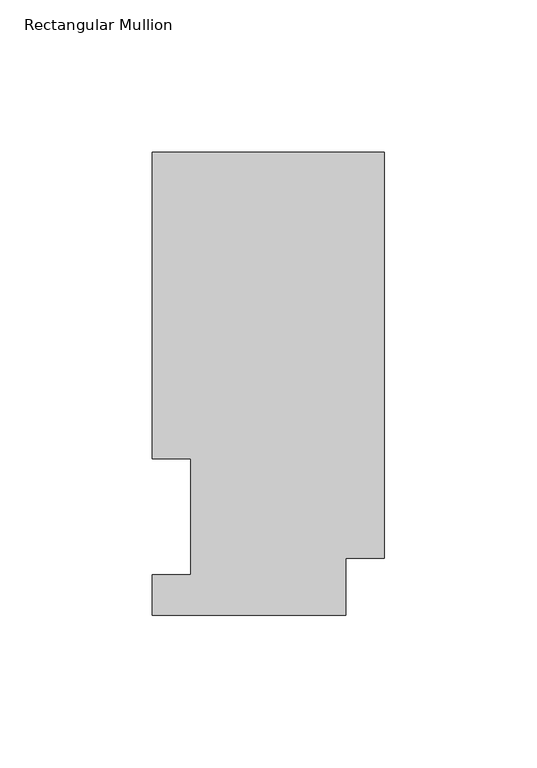
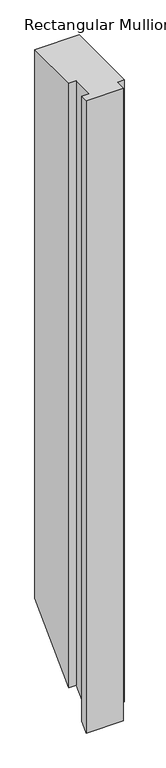
"""IFC4 building model written with IfcOpenShell, lengths in millimetres: member geometry, Rectangular Mullion."""

from ifc_helpers import new_model, si_unit, origin, place, context, project, spatial, faceted_brep, source, transform, mapped, element, save


def rectangular_mullion_5e5224ec(model_context):
    return source(origin(), model_context, "Body", "Brep", [
        faceted_brep([(0.0, 151.9816938, 0.0), (-76.2, 151.9816937, 0.0), (-76.2, 51.2960937, 0.0), (-63.5, 51.2960937, 0.0), (-63.5, 13.1960937, 0.0), (-76.2, 13.1960937, 0.0), (-76.2, 0.0134937, 0.0), (-12.7, 0.0134937, 0.0), (-12.7, 18.7332938, 0.0), (0.0, 18.7332938, 0.0), (0.0, 151.9816938, -991.0318), (-76.2, 151.9816937, -991.0318), (-76.2, 51.2960937, -1091.7174), (-63.5, 51.2960937, -1091.7174), (-63.5, 13.1960937, -1129.8174), (-76.2, 13.1960937, -1129.8174), (-76.2, 0.0134937, -1143.0), (-12.7, 0.0134937, -1143.0), (-12.7, 18.7332938, -1124.2802), (0.0, 18.7332938, -1124.2802)], [[[0, 1, 2, 3, 4, 5, 6, 7, 8, 9]], [[1, 0, 10, 11]], [[2, 1, 11, 12]], [[3, 2, 12, 13]], [[4, 3, 13, 14]], [[5, 4, 14, 15]], [[6, 5, 15, 16]], [[7, 6, 16, 17]], [[8, 7, 17, 18]], [[9, 8, 18, 19]], [[0, 9, 19, 10]], [[10, 19, 18, 17, 16, 15, 14, 13, 12, 11]]]),
    ])


if __name__ == "__main__":
    model = new_model("IFC4")
    model_context = context("Model", 3, world=origin())
    ifc_project = project(units=[si_unit("LENGTHUNIT", "METRE", prefix="MILLI")], contexts=[model_context])
    site = spatial("IfcSite", under=ifc_project)
    building = spatial("IfcBuilding", under=site)
    placement = place(None, origin())
    rectangular_mullion_shape = rectangular_mullion_5e5224ec(model_context)
    element("IfcMember", 1, ObjectType="Rectangular Mullion", at=placement, inside=building, context=model_context, shape_type="MappedRepresentation", body=[
        mapped(rectangular_mullion_shape, transform((0.0, 0.0, 0.0), x_axis=(1.0, 0.0, 0.0), y_axis=(0.0, 1.0, 0.0), z_axis=(0.0, 0.0, 1.0))),
    ])
    save(model, "model.ifc")
